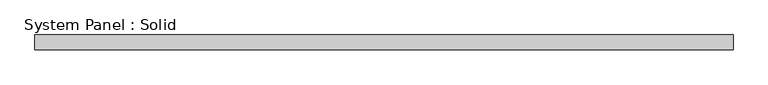
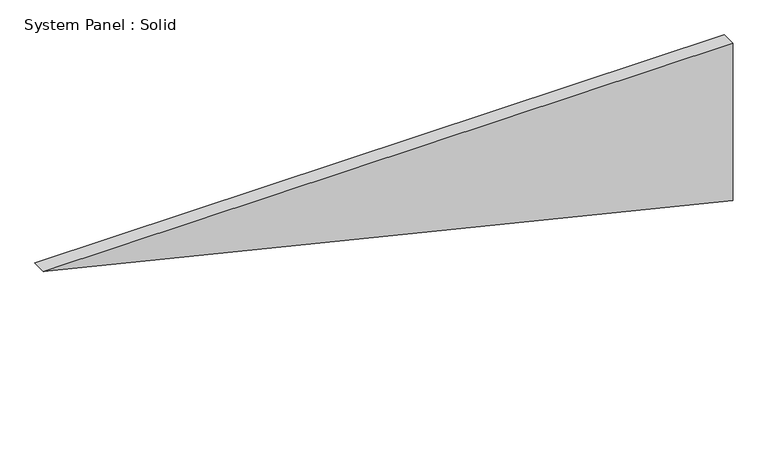
"""IFC4 building model written with IfcOpenShell, lengths in millimetres: plate geometry, System Panel : Solid."""

from ifc_helpers import new_model, si_unit, frame, origin, place, context, project, spatial, polyline, outline, extrude, source, transform, mapped, element, save


def system_panel_solid_f5f97aa4(model_context):
    return source(origin(), model_context, "Body", "SweptSolid", [
        extrude(outline(polyline([(690.4505048, -1428.8138673), (0.0, 1428.8138673), (690.4505048, 1428.8138673), (690.4505048, -1428.8138673)])), frame((0.0, -10.5, 0.0), z_axis=(0.0, 1.0, 0.0), x_axis=(0.0, 0.0, 1.0)), (0.0, 0.0, 1.0), 60.0),
    ])


if __name__ == "__main__":
    model = new_model("IFC4")
    model_context = context("Model", 3, world=origin())
    ifc_project = project(units=[si_unit("LENGTHUNIT", "METRE", prefix="MILLI")], contexts=[model_context])
    site = spatial("IfcSite", under=ifc_project)
    building = spatial("IfcBuilding", under=site)
    placement = place(None, origin())
    system_panel_solid_shape = system_panel_solid_f5f97aa4(model_context)
    element("IfcPlate", 1, ObjectType="System Panel : Solid", at=placement, inside=building, context=model_context, shape_type="MappedRepresentation", body=[
        mapped(system_panel_solid_shape, transform((0.0, 0.0, 0.0), x_axis=(1.0, 0.0, 0.0), y_axis=(0.0, 1.0, 0.0), z_axis=(0.0, 0.0, 1.0))),
    ])
    save(model, "model.ifc")
